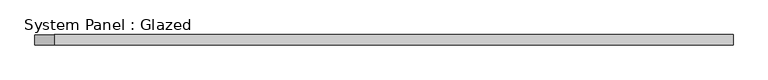
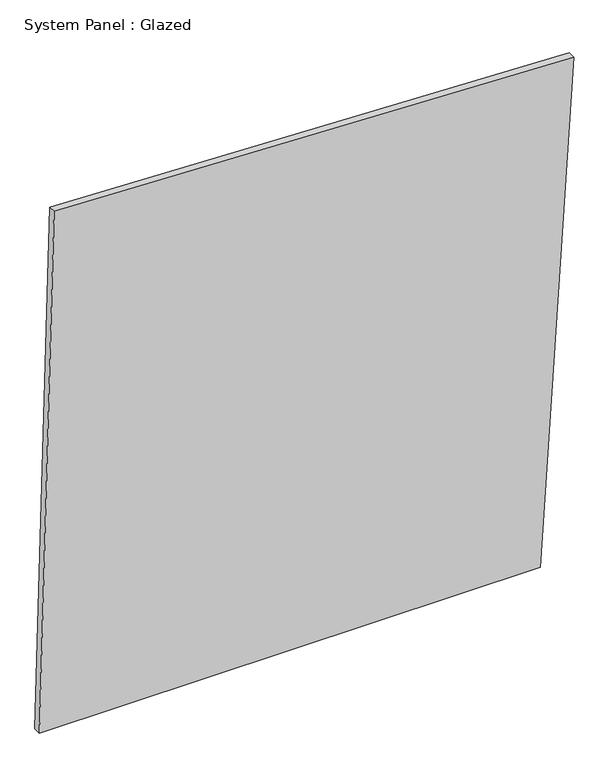
"""IFC4 building model written with IfcOpenShell, lengths in millimetres: plate geometry, System Panel : Glazed."""

from ifc_helpers import new_model, si_unit, frame, origin, place, context, project, spatial, polyline, outline, extrude, source, transform, mapped, element, save


def system_panel_glazed_2e54495d(model_context):
    return source(origin(), model_context, "Body", "SweptSolid", [
        extrude(outline(polyline([(0.0, -861.3784499), (0.0, 754.0693458), (1700.2669906, 861.3784499), (1761.2658678, -814.1764649), (0.0, -861.3784499)])), frame((0.0, 24.5, 0.0), z_axis=(0.0, 1.0, 0.0), x_axis=(0.0, 0.0, 1.0)), (0.0, 0.0, 1.0), 25.0),
    ])


if __name__ == "__main__":
    model = new_model("IFC4")
    model_context = context("Model", 3, world=origin())
    ifc_project = project(units=[si_unit("LENGTHUNIT", "METRE", prefix="MILLI")], contexts=[model_context])
    site = spatial("IfcSite", under=ifc_project)
    building = spatial("IfcBuilding", under=site)
    placement = place(None, origin())
    system_panel_glazed_shape = system_panel_glazed_2e54495d(model_context)
    element("IfcPlate", 1, ObjectType="System Panel : Glazed", at=placement, inside=building, context=model_context, shape_type="MappedRepresentation", body=[
        mapped(system_panel_glazed_shape, transform((0.0, 0.0, 0.0), x_axis=(1.0, 0.0, 0.0), y_axis=(0.0, 1.0, 0.0), z_axis=(0.0, 0.0, 1.0))),
    ])
    save(model, "model.ifc")
